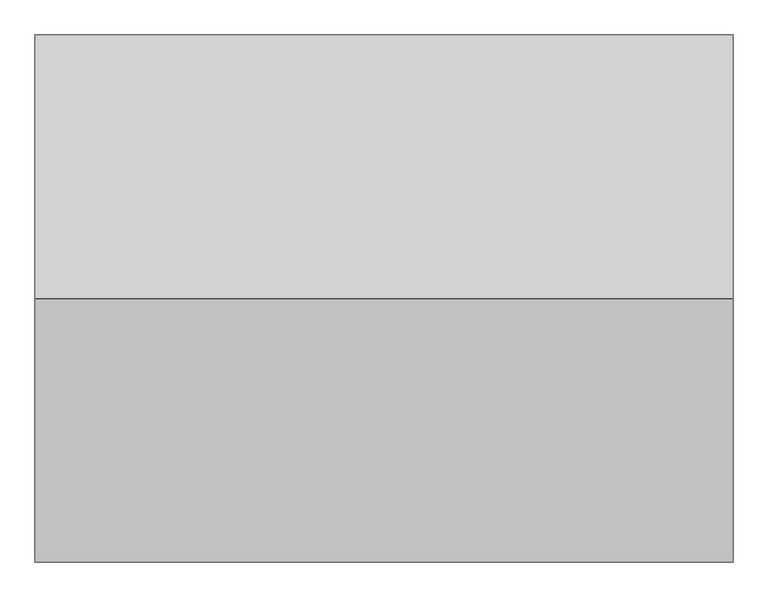
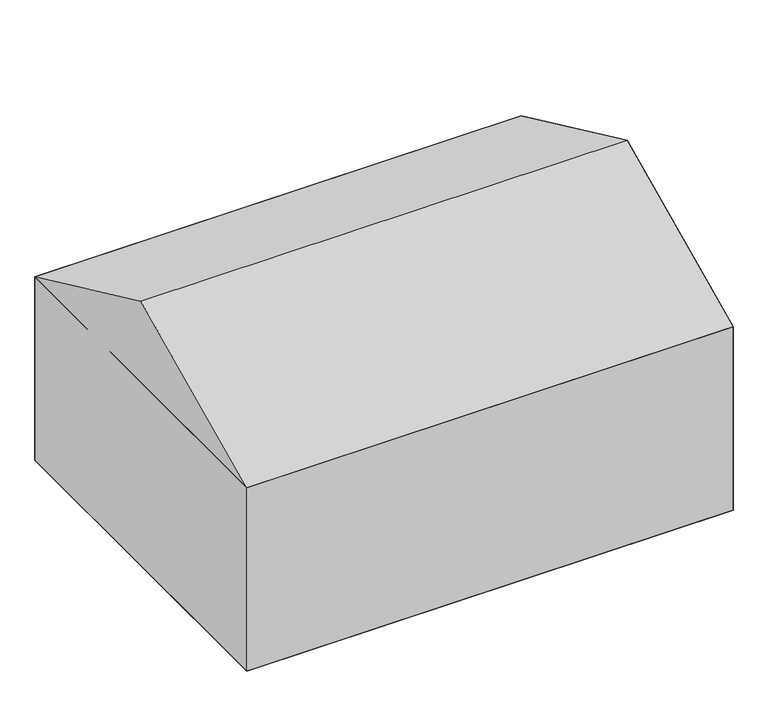
"""IFC4 building model written with IfcOpenShell, lengths in millimetres: geographic element geometry."""

import ifcopenshell
import ifcopenshell.guid

model = None  # the IFC model being written
_history = None  # IfcOwnerHistory: only IFC2X3 demands one
_inside = {}  # id of a spatial element -> (the spatial element, [elements in it])
_under = {}  # id of a project, library or spatial element -> (it, [spatial elements below it])
_declared = {}  # id of a project -> (the project, [libraries it declares])
_typed = {}  # id of a type object -> (the type object, [elements of that type])
_made_of = {}  # id of a material, layer set ... -> (it, [elements and type objects made of it])


def new_model(schema):
    """Start an empty IFC model of exactly this schema.

    Asked for "IFC4X3", IfcOpenShell would pick the latest addendum, in which some entities
    have other attributes; the version numbers below select the first issue.
    IFC2X3 requires an IfcOwnerHistory on every rooted entity: one is made here for all.
    """
    global model, _history
    if schema == "IFC4X3":
        model = ifcopenshell.file(schema_version=(4, 3, 0, 0))
    else:
        model = ifcopenshell.file(schema=schema)
    _inside.clear()
    _under.clear()
    _declared.clear()
    _typed.clear()
    _made_of.clear()
    _history = None
    if model.schema == "IFC2X3":
        org = make("IfcOrganization", Name="unknown")
        user = make(
            "IfcPersonAndOrganization",
            ThePerson=make("IfcPerson", FamilyName="unknown"),
            TheOrganization=org,
        )
        app = make(
            "IfcApplication",
            ApplicationDeveloper=org,
            Version="unknown",
            ApplicationFullName="unknown",
            ApplicationIdentifier="unknown",
        )
        _history = make(
            "IfcOwnerHistory",
            OwningUser=user,
            OwningApplication=app,
            ChangeAction="ADDED",
            CreationDate=0,
        )
    return model


def make(cls, **values):
    """One entity of the class cls with the attributes given. An attribute that is None is left unset."""
    return model.create_entity(
        cls, **{name: value for name, value in values.items() if value is not None}
    )


def rooted(cls, **values):
    """An entity with a GlobalId (a new one), such as an element, a storey or a relation."""
    return make(cls, GlobalId=ifcopenshell.guid.new(), OwnerHistory=_history, **values)


def si_unit(unit_type, name, prefix=None):
    """IfcSIUnit, for example si_unit("LENGTHUNIT", "METRE", prefix="MILLI")."""
    return make("IfcSIUnit", UnitType=unit_type, Prefix=prefix, Name=name)


def assignment(units):
    """IfcUnitAssignment: the units of a project."""
    return None if units is None else make("IfcUnitAssignment", Units=units)


def point(xyz):
    """IfcCartesianPoint."""
    return None if xyz is None else make("IfcCartesianPoint", Coordinates=xyz)


def direction(xyz):
    """IfcDirection."""
    return None if xyz is None else make("IfcDirection", DirectionRatios=xyz)


def frame(location, z_axis=None, x_axis=None):
    """IfcAxis2Placement3D, a coordinate frame: its origin and axes. An axis left out is left unset."""
    return make(
        "IfcAxis2Placement3D",
        Location=point(location),
        Axis=direction(z_axis),
        RefDirection=direction(x_axis),
    )


def origin():
    """The frame at (0, 0, 0) with its axes left unset."""
    return frame((0.0, 0.0, 0.0))


def place(relative_to, where):
    """IfcLocalPlacement: puts the frame where relative to a parent placement (None: the world)."""
    return make(
        "IfcLocalPlacement", PlacementRelTo=relative_to, RelativePlacement=where
    )


def context(
    kind, dimensions, precision=None, world=None, true_north=None, identifier=None
):
    """IfcGeometricRepresentationContext, for example the 3D "Model" context."""
    return make(
        "IfcGeometricRepresentationContext",
        ContextIdentifier=identifier,
        ContextType=kind,
        CoordinateSpaceDimension=dimensions,
        Precision=precision,
        WorldCoordinateSystem=world,
        TrueNorth=true_north,
    )


def project(units=None, contexts=None):
    """IfcProject with its units and contexts."""
    return rooted(
        "IfcProject",
        Name="project",
        RepresentationContexts=contexts,
        UnitsInContext=assignment(units),
    )


def spatial(cls, under=None, at=None, **own):
    """A site, building, storey or space (cls), placed at a placement, below another one or the project."""
    s = rooted(cls, ObjectPlacement=at, **own)
    if under is not None:
        _under.setdefault(under.id(), (under, []))[1].append(s)
    return s


def point_list(points):
    """IfcCartesianPointList2D or 3D."""
    cls = (
        "IfcCartesianPointList2D" if len(points[0]) == 2 else "IfcCartesianPointList3D"
    )
    return make(cls, CoordList=points)


def triangles(points, corners, closed=None, point_numbers=None):
    """IfcTriangulatedFaceSet: each triangle names its three corners, points numbered from 1."""
    return make(
        "IfcTriangulatedFaceSet",
        Coordinates=point_list(points),
        Closed=closed,
        CoordIndex=corners,
        PnIndex=point_numbers,
    )


def shape(context_of_items, identifier, shape_type, items):
    """IfcShapeRepresentation: the items that make up one representation, for example the "Body"."""
    return make(
        "IfcShapeRepresentation",
        ContextOfItems=context_of_items,
        RepresentationIdentifier=identifier,
        RepresentationType=shape_type,
        Items=items,
    )


def source(mapping_origin, context_of_items, identifier, shape_type, items):
    """IfcRepresentationMap: a shape defined once, which mapped items show again and again."""
    return make(
        "IfcRepresentationMap",
        MappingOrigin=mapping_origin,
        MappedRepresentation=shape(context_of_items, identifier, shape_type, items),
    )


def transform(
    local_origin,
    x_axis=None,
    y_axis=None,
    z_axis=None,
    scale=None,
    scale2=None,
    scale3=None,
    uniform=True,
):
    """IfcCartesianTransformationOperator3D, or its non-uniform kind. x_axis, y_axis, z_axis: its Axis1, 2, 3."""
    if uniform:
        return make(
            "IfcCartesianTransformationOperator3D",
            Axis1=direction(x_axis),
            Axis2=direction(y_axis),
            LocalOrigin=point(local_origin),
            Scale=scale,
            Axis3=direction(z_axis),
        )
    return make(
        "IfcCartesianTransformationOperator3DnonUniform",
        Axis1=direction(x_axis),
        Axis2=direction(y_axis),
        LocalOrigin=point(local_origin),
        Scale=scale,
        Axis3=direction(z_axis),
        Scale2=scale2,
        Scale3=scale3,
    )


def mapped(mapping_source, mapping_target):
    """IfcMappedItem: shows the shape of a source again, moved by a transform."""
    return make(
        "IfcMappedItem", MappingSource=mapping_source, MappingTarget=mapping_target
    )


def made_of(thing, what):
    """Note that an element or type object is made of a material, layer set ...; save() writes the relation."""
    if what is not None:
        _made_of.setdefault(what.id(), (what, []))[1].append(thing)
    return thing


def element(
    cls,
    number,
    at=None,
    inside=None,
    cuts=None,
    type_object=None,
    material=None,
    context=None,
    identifier="Body",
    shape_type=None,
    held_by="IfcProductDefinitionShape",
    body=None,
    shapes=None,
    **own,
):
    """One element of the class cls, such as IfcWall. Its Tag is "e" and its number.

    at: its placement. inside: the storey or other place that contains it. cuts: it is an
    opening in that element (IfcRelVoidsElement). A single representation is given by context,
    identifier, shape_type and body (its items); several are given by shapes. held_by: the class
    of the entity that holds the representations. save() writes the other relations.
    """
    e = rooted(cls, Tag="e%d" % number, ObjectPlacement=at, **own)
    if body is not None:
        shapes = [shape(context, identifier, shape_type, body)]
    if shapes is not None:
        e.Representation = make(held_by, Representations=shapes)
    if inside is not None:
        _inside.setdefault(inside.id(), (inside, []))[1].append(e)
    if cuts is not None:
        rooted(
            "IfcRelVoidsElement", RelatingBuildingElement=cuts, RelatedOpeningElement=e
        )
    if type_object is not None:
        _typed.setdefault(type_object.id(), (type_object, []))[1].append(e)
    return made_of(e, material)


def aggregate(whole, parts):
    """IfcRelAggregates: a whole, such as a stair, and the parts it consists of."""
    return rooted("IfcRelAggregates", RelatingObject=whole, RelatedObjects=parts)


def save(model, path):
    """Write the relations noted so far, then the file.

    IfcRelAggregates (storeys below a building ...), IfcRelContainedInSpatialStructure (elements
    in a storey), IfcRelDefinesByType, IfcRelAssociatesMaterial and IfcRelDeclares: one each for
    every whole, place, type object, material and project.
    """
    for whole, parts in _under.values():
        aggregate(whole, parts)
    for where, things in _inside.values():
        rooted(
            "IfcRelContainedInSpatialStructure",
            RelatedElements=things,
            RelatingStructure=where,
        )
    for kind, things in _typed.values():
        rooted("IfcRelDefinesByType", RelatedObjects=things, RelatingType=kind)
    for what, things in _made_of.values():
        rooted("IfcRelAssociatesMaterial", RelatedObjects=things, RelatingMaterial=what)
    for by, libraries in _declared.values():
        rooted("IfcRelDeclares", RelatingContext=by, RelatedDefinitions=libraries)
    model.write(path)


def geographic_element_0fbea9c3(model_context):
    return source(origin(), model_context, "Body", "Tessellation", [
        triangles([(325.5263875, 8274.8303787, 4053.7639), (325.5263875, 595.7133113, 4053.7639), (325.5263875, 4435.2717178, 5844.0444489), (10487.2063843, 4435.2717178, 5844.0444489), (10487.2063843, 8274.8303787, 4053.7639), (10487.2063843, 595.7133113, 4053.7639), (10487.2063843, 8274.8303787, 0.0), (325.5263875, 595.7133113, 0.0), (325.5263875, 8274.8303787, 0.0), (10487.2063843, 595.7133113, 0.0)], [[1, 2, 3], [4, 1, 3], [1, 4, 5], [5, 4, 6], [6, 3, 2], [3, 6, 4], [5, 2, 1], [2, 5, 6], [6, 1, 2], [1, 6, 5], [7, 8, 9], [8, 7, 10], [1, 8, 2], [8, 1, 9], [6, 8, 10], [8, 6, 2], [1, 7, 9], [7, 1, 5], [7, 6, 10], [6, 7, 5]], closed=False),
    ])


if __name__ == "__main__":
    model = new_model("IFC4")
    model_context = context("Model", 3, world=origin())
    ifc_project = project(units=[si_unit("LENGTHUNIT", "METRE", prefix="MILLI")], contexts=[model_context])
    site = spatial("IfcSite", under=ifc_project)
    building = spatial("IfcBuilding", under=site)
    placement = place(None, origin())
    geographic_element_shape = geographic_element_0fbea9c3(model_context)
    element("IfcGeographicElement", 1, at=placement, inside=building, context=model_context, shape_type="MappedRepresentation", body=[
        mapped(geographic_element_shape, transform((0.0, 0.0, 0.0), x_axis=(1.0, 0.0, 0.0), y_axis=(0.0, 1.0, 0.0), z_axis=(0.0, 0.0, 1.0))),
    ])
    save(model, "model.ifc")
